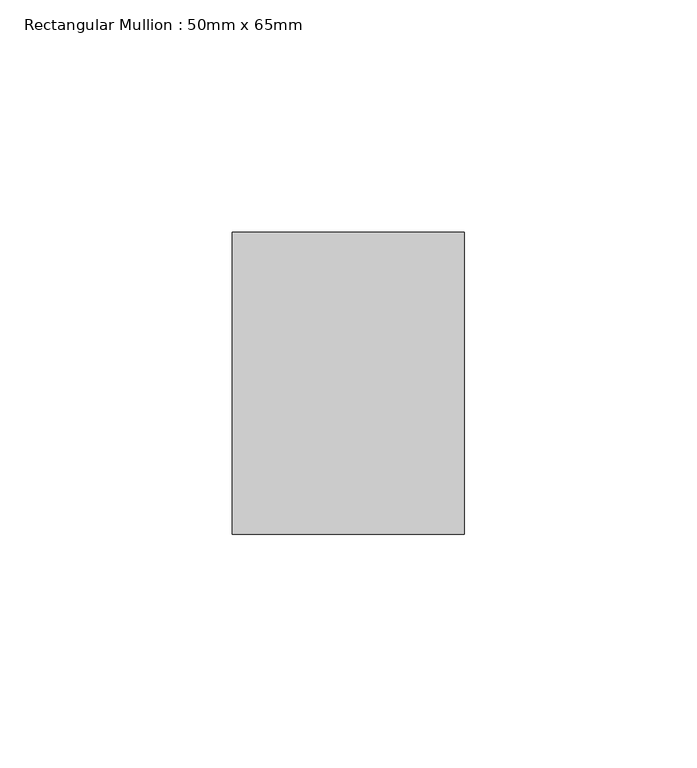
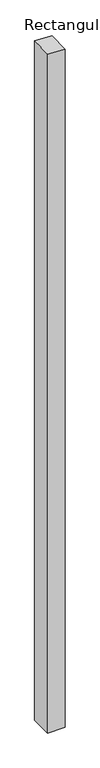
"""IFC4 building model written with IfcOpenShell, lengths in millimetres: member geometry, Rectangular Mullion : 50mm x 65mm."""

from ifc_helpers import new_model, si_unit, origin, place, context, project, spatial, faceted_brep, source, transform, mapped, element, save


def rectangular_mullion_50mm_x_65mm_7a8830bf(model_context):
    return source(origin(), model_context, "Body", "Brep", [
        faceted_brep([(25.0, 32.5, -2060.2146072), (25.0, -32.5, -2060.2146072), (-25.0, -32.5, -2060.2146072), (-25.0, 32.5, -2060.2146072), (-25.0, 32.5, 2.1323716), (25.0, 32.5, -0.1448844), (-25.0, -32.5, 0.1448844), (25.0, -32.5, -2.1323716)], [[[0, 1, 2, 3]], [[4, 5, 0, 3]], [[6, 4, 3, 2]], [[7, 6, 2, 1]], [[5, 7, 1, 0]], [[5, 4, 6, 7]]]),
    ])


if __name__ == "__main__":
    model = new_model("IFC4")
    model_context = context("Model", 3, world=origin())
    ifc_project = project(units=[si_unit("LENGTHUNIT", "METRE", prefix="MILLI")], contexts=[model_context])
    site = spatial("IfcSite", under=ifc_project)
    building = spatial("IfcBuilding", under=site)
    placement = place(None, origin())
    rectangular_mullion_50mm_x_65mm_shape = rectangular_mullion_50mm_x_65mm_7a8830bf(model_context)
    element("IfcMember", 1, ObjectType="Rectangular Mullion : 50mm x 65mm", at=placement, inside=building, context=model_context, shape_type="MappedRepresentation", body=[
        mapped(rectangular_mullion_50mm_x_65mm_shape, transform((0.0, 0.0, 0.0), x_axis=(1.0, 0.0, 0.0), y_axis=(0.0, 1.0, 0.0), z_axis=(0.0, 0.0, 1.0))),
    ])
    save(model, "model.ifc")
